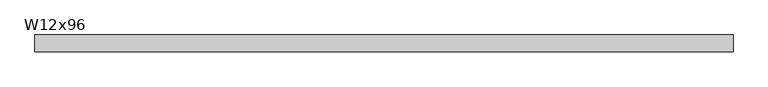
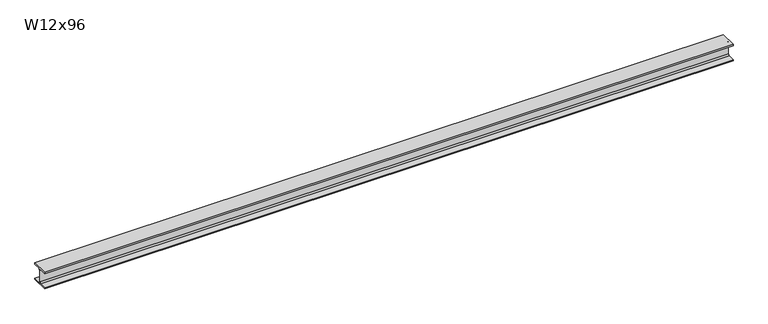
"""IFC4 building model written with IfcOpenShell, lengths in millimetres: beam geometry, W12x96."""

from ifc_helpers import new_model, si_unit, point, frame, frame_2d, origin, place, context, project, spatial, polyline, circle_curve, trimmed, segment, composite_curve, outline, extrude, source, transform, mapped, element, save


def w12x96_af190b30(model_context):
    return source(origin(), model_context, "Body", "SweptSolid", [
        extrude(outline(composite_curve([segment(polyline([(154.94, -138.43), (154.94, -161.29), (-154.94, -161.29), (-154.94, -138.43), (-30.1625, -138.43)]), True, "CONTINUOUS"), segment(trimmed(circle_curve(frame_2d((-30.1625, -115.2525)), 23.1775), [point((-30.1625, -138.43))], [point((-6.985, -115.2525))], True, "CARTESIAN"), True, "CONTINUOUS"), segment(polyline([(-6.985, -115.2525), (-6.985, 115.2525)]), True, "CONTINUOUS"), segment(trimmed(circle_curve(frame_2d((-30.1625, 115.2525)), 23.1775), [point((-6.985, 115.2525))], [point((-30.1625, 138.43))], True, "CARTESIAN"), True, "CONTINUOUS"), segment(polyline([(-30.1625, 138.43), (-154.94, 138.43), (-154.94, 161.29), (154.94, 161.29), (154.94, 138.43), (30.1625, 138.43)]), True, "CONTINUOUS"), segment(trimmed(circle_curve(frame_2d((30.1625, 115.2525)), 23.1775), [point((30.1625, 138.43))], [point((6.985, 115.2525))], True, "CARTESIAN"), True, "CONTINUOUS"), segment(polyline([(6.985, 115.2525), (6.985, -115.2525)]), True, "CONTINUOUS"), segment(trimmed(circle_curve(frame_2d((30.1625, -115.2525)), 23.1775), [point((6.985, -115.2525))], [point((30.1625, -138.43))], True, "CARTESIAN"), True, "CONTINUOUS"), segment(polyline([(30.1625, -138.43), (154.94, -138.43)]), True, "CONTINUOUS")], self_intersect=False)), frame((-6399.3740035, 0.0, 0.0), z_axis=(1.0, 0.0, 0.0), x_axis=(0.0, 1.0, 0.0)), (0.0, 0.0, 1.0), 12798.7480071),
    ])


if __name__ == "__main__":
    model = new_model("IFC4")
    model_context = context("Model", 3, world=origin())
    ifc_project = project(units=[si_unit("LENGTHUNIT", "METRE", prefix="MILLI")], contexts=[model_context])
    site = spatial("IfcSite", under=ifc_project)
    building = spatial("IfcBuilding", under=site)
    placement = place(None, origin())
    w12x96_shape = w12x96_af190b30(model_context)
    element("IfcBeam", 1, ObjectType="W12x96", at=placement, inside=building, context=model_context, shape_type="MappedRepresentation", body=[
        mapped(w12x96_shape, transform((0.0, 0.0, 0.0), x_axis=(1.0, 0.0, 0.0), y_axis=(0.0, 1.0, 0.0), z_axis=(0.0, 0.0, 1.0))),
    ])
    save(model, "model.ifc")
